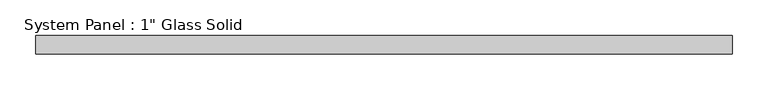
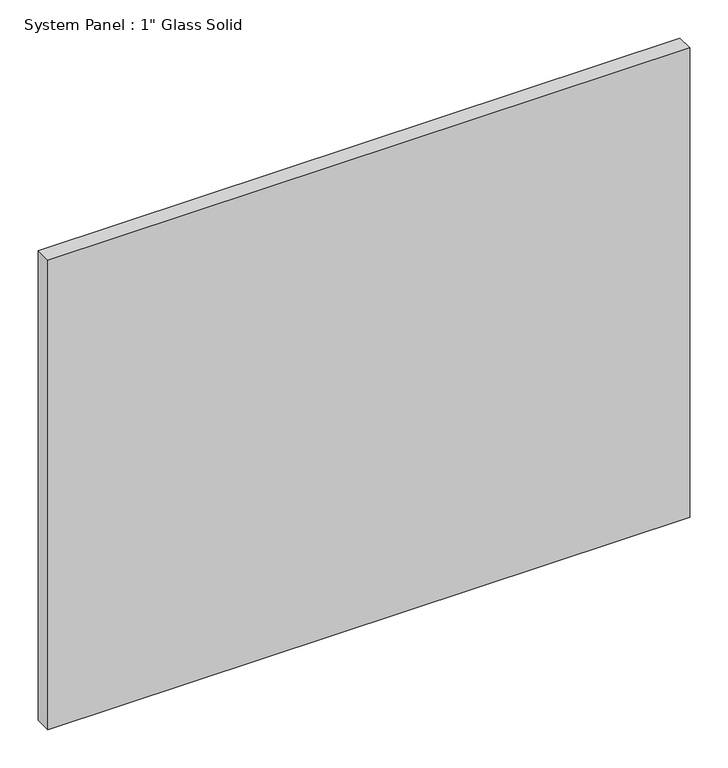
"""IFC4 building model written with IfcOpenShell, lengths in millimetres: plate geometry."""

import ifcopenshell
import ifcopenshell.guid

model = None  # the IFC model being written
_history = None  # IfcOwnerHistory: only IFC2X3 demands one
_inside = {}  # id of a spatial element -> (the spatial element, [elements in it])
_under = {}  # id of a project, library or spatial element -> (it, [spatial elements below it])
_declared = {}  # id of a project -> (the project, [libraries it declares])
_typed = {}  # id of a type object -> (the type object, [elements of that type])
_made_of = {}  # id of a material, layer set ... -> (it, [elements and type objects made of it])


def new_model(schema):
    """Start an empty IFC model of exactly this schema.

    Asked for "IFC4X3", IfcOpenShell would pick the latest addendum, in which some entities
    have other attributes; the version numbers below select the first issue.
    IFC2X3 requires an IfcOwnerHistory on every rooted entity: one is made here for all.
    """
    global model, _history
    if schema == "IFC4X3":
        model = ifcopenshell.file(schema_version=(4, 3, 0, 0))
    else:
        model = ifcopenshell.file(schema=schema)
    _inside.clear()
    _under.clear()
    _declared.clear()
    _typed.clear()
    _made_of.clear()
    _history = None
    if model.schema == "IFC2X3":
        org = make("IfcOrganization", Name="unknown")
        user = make(
            "IfcPersonAndOrganization",
            ThePerson=make("IfcPerson", FamilyName="unknown"),
            TheOrganization=org,
        )
        app = make(
            "IfcApplication",
            ApplicationDeveloper=org,
            Version="unknown",
            ApplicationFullName="unknown",
            ApplicationIdentifier="unknown",
        )
        _history = make(
            "IfcOwnerHistory",
            OwningUser=user,
            OwningApplication=app,
            ChangeAction="ADDED",
            CreationDate=0,
        )
    return model


def make(cls, **values):
    """One entity of the class cls with the attributes given. An attribute that is None is left unset."""
    return model.create_entity(
        cls, **{name: value for name, value in values.items() if value is not None}
    )


def rooted(cls, **values):
    """An entity with a GlobalId (a new one), such as an element, a storey or a relation."""
    return make(cls, GlobalId=ifcopenshell.guid.new(), OwnerHistory=_history, **values)


def si_unit(unit_type, name, prefix=None):
    """IfcSIUnit, for example si_unit("LENGTHUNIT", "METRE", prefix="MILLI")."""
    return make("IfcSIUnit", UnitType=unit_type, Prefix=prefix, Name=name)


def assignment(units):
    """IfcUnitAssignment: the units of a project."""
    return None if units is None else make("IfcUnitAssignment", Units=units)


def point(xyz):
    """IfcCartesianPoint."""
    return None if xyz is None else make("IfcCartesianPoint", Coordinates=xyz)


def direction(xyz):
    """IfcDirection."""
    return None if xyz is None else make("IfcDirection", DirectionRatios=xyz)


def frame(location, z_axis=None, x_axis=None):
    """IfcAxis2Placement3D, a coordinate frame: its origin and axes. An axis left out is left unset."""
    return make(
        "IfcAxis2Placement3D",
        Location=point(location),
        Axis=direction(z_axis),
        RefDirection=direction(x_axis),
    )


def origin():
    """The frame at (0, 0, 0) with its axes left unset."""
    return frame((0.0, 0.0, 0.0))


def origin_with_axes():
    """The frame at (0, 0, 0) with the z axis (0, 0, 1) and the x axis (1, 0, 0) written out."""
    return frame((0.0, 0.0, 0.0), z_axis=(0.0, 0.0, 1.0), x_axis=(1.0, 0.0, 0.0))


def place(relative_to, where):
    """IfcLocalPlacement: puts the frame where relative to a parent placement (None: the world)."""
    return make(
        "IfcLocalPlacement", PlacementRelTo=relative_to, RelativePlacement=where
    )


def context(
    kind, dimensions, precision=None, world=None, true_north=None, identifier=None
):
    """IfcGeometricRepresentationContext, for example the 3D "Model" context."""
    return make(
        "IfcGeometricRepresentationContext",
        ContextIdentifier=identifier,
        ContextType=kind,
        CoordinateSpaceDimension=dimensions,
        Precision=precision,
        WorldCoordinateSystem=world,
        TrueNorth=true_north,
    )


def project(units=None, contexts=None):
    """IfcProject with its units and contexts."""
    return rooted(
        "IfcProject",
        Name="project",
        RepresentationContexts=contexts,
        UnitsInContext=assignment(units),
    )


def spatial(cls, under=None, at=None, **own):
    """A site, building, storey or space (cls), placed at a placement, below another one or the project."""
    s = rooted(cls, ObjectPlacement=at, **own)
    if under is not None:
        _under.setdefault(under.id(), (under, []))[1].append(s)
    return s


def polyline(points):
    """IfcPolyline through the points."""
    return make("IfcPolyline", Points=[point(p) for p in points])


def outline(outer, holes=None, kind="AREA"):
    """IfcArbitraryClosedProfileDef: a profile drawn as a closed curve; with holes, ...WithVoids."""
    if holes is None:
        return make("IfcArbitraryClosedProfileDef", ProfileType=kind, OuterCurve=outer)
    return make(
        "IfcArbitraryProfileDefWithVoids",
        ProfileType=kind,
        OuterCurve=outer,
        InnerCurves=holes,
    )


def extrude(swept, where, along, depth):
    """IfcExtrudedAreaSolid: the profile swept, set in the frame where, extruded along a direction by depth."""
    return make(
        "IfcExtrudedAreaSolid",
        SweptArea=swept,
        Position=where,
        ExtrudedDirection=direction(along),
        Depth=depth,
    )


def shape(context_of_items, identifier, shape_type, items):
    """IfcShapeRepresentation: the items that make up one representation, for example the "Body"."""
    return make(
        "IfcShapeRepresentation",
        ContextOfItems=context_of_items,
        RepresentationIdentifier=identifier,
        RepresentationType=shape_type,
        Items=items,
    )


def source(mapping_origin, context_of_items, identifier, shape_type, items):
    """IfcRepresentationMap: a shape defined once, which mapped items show again and again."""
    return make(
        "IfcRepresentationMap",
        MappingOrigin=mapping_origin,
        MappedRepresentation=shape(context_of_items, identifier, shape_type, items),
    )


def transform(
    local_origin,
    x_axis=None,
    y_axis=None,
    z_axis=None,
    scale=None,
    scale2=None,
    scale3=None,
    uniform=True,
):
    """IfcCartesianTransformationOperator3D, or its non-uniform kind. x_axis, y_axis, z_axis: its Axis1, 2, 3."""
    if uniform:
        return make(
            "IfcCartesianTransformationOperator3D",
            Axis1=direction(x_axis),
            Axis2=direction(y_axis),
            LocalOrigin=point(local_origin),
            Scale=scale,
            Axis3=direction(z_axis),
        )
    return make(
        "IfcCartesianTransformationOperator3DnonUniform",
        Axis1=direction(x_axis),
        Axis2=direction(y_axis),
        LocalOrigin=point(local_origin),
        Scale=scale,
        Axis3=direction(z_axis),
        Scale2=scale2,
        Scale3=scale3,
    )


def mapped(mapping_source, mapping_target):
    """IfcMappedItem: shows the shape of a source again, moved by a transform."""
    return make(
        "IfcMappedItem", MappingSource=mapping_source, MappingTarget=mapping_target
    )


def made_of(thing, what):
    """Note that an element or type object is made of a material, layer set ...; save() writes the relation."""
    if what is not None:
        _made_of.setdefault(what.id(), (what, []))[1].append(thing)
    return thing


def element(
    cls,
    number,
    at=None,
    inside=None,
    cuts=None,
    type_object=None,
    material=None,
    context=None,
    identifier="Body",
    shape_type=None,
    held_by="IfcProductDefinitionShape",
    body=None,
    shapes=None,
    **own,
):
    """One element of the class cls, such as IfcWall. Its Tag is "e" and its number.

    at: its placement. inside: the storey or other place that contains it. cuts: it is an
    opening in that element (IfcRelVoidsElement). A single representation is given by context,
    identifier, shape_type and body (its items); several are given by shapes. held_by: the class
    of the entity that holds the representations. save() writes the other relations.
    """
    e = rooted(cls, Tag="e%d" % number, ObjectPlacement=at, **own)
    if body is not None:
        shapes = [shape(context, identifier, shape_type, body)]
    if shapes is not None:
        e.Representation = make(held_by, Representations=shapes)
    if inside is not None:
        _inside.setdefault(inside.id(), (inside, []))[1].append(e)
    if cuts is not None:
        rooted(
            "IfcRelVoidsElement", RelatingBuildingElement=cuts, RelatedOpeningElement=e
        )
    if type_object is not None:
        _typed.setdefault(type_object.id(), (type_object, []))[1].append(e)
    return made_of(e, material)


def aggregate(whole, parts):
    """IfcRelAggregates: a whole, such as a stair, and the parts it consists of."""
    return rooted("IfcRelAggregates", RelatingObject=whole, RelatedObjects=parts)


def save(model, path):
    """Write the relations noted so far, then the file.

    IfcRelAggregates (storeys below a building ...), IfcRelContainedInSpatialStructure (elements
    in a storey), IfcRelDefinesByType, IfcRelAssociatesMaterial and IfcRelDeclares: one each for
    every whole, place, type object, material and project.
    """
    for whole, parts in _under.values():
        aggregate(whole, parts)
    for where, things in _inside.values():
        rooted(
            "IfcRelContainedInSpatialStructure",
            RelatedElements=things,
            RelatingStructure=where,
        )
    for kind, things in _typed.values():
        rooted("IfcRelDefinesByType", RelatedObjects=things, RelatingType=kind)
    for what, things in _made_of.values():
        rooted("IfcRelAssociatesMaterial", RelatedObjects=things, RelatingMaterial=what)
    for by, libraries in _declared.values():
        rooted("IfcRelDeclares", RelatingContext=by, RelatedDefinitions=libraries)
    model.write(path)


def plate_e776c89f(model_context):
    return source(origin(), model_context, "Body", "SweptSolid", [
        extrude(outline(polyline([(484.1875, -12.7), (-484.1875, -12.7), (-484.1875, 12.7), (484.1875, 12.7), (484.1875, -12.7)])), origin_with_axes(), (0.0, 0.0, 1.0), 748.7596948),
    ])


if __name__ == "__main__":
    model = new_model("IFC4")
    model_context = context("Model", 3, world=origin())
    ifc_project = project(units=[si_unit("LENGTHUNIT", "METRE", prefix="MILLI")], contexts=[model_context])
    site = spatial("IfcSite", under=ifc_project)
    building = spatial("IfcBuilding", under=site)
    placement = place(None, origin())
    plate_shape = plate_e776c89f(model_context)
    element("IfcPlate", 1, ObjectType="System Panel : 1\" Glass Solid", at=placement, inside=building, context=model_context, shape_type="MappedRepresentation", body=[
        mapped(plate_shape, transform((0.0, 0.0, 0.0), x_axis=(1.0, 0.0, 0.0), y_axis=(0.0, 1.0, 0.0), z_axis=(0.0, 0.0, 1.0))),
    ])
    save(model, "model.ifc")
